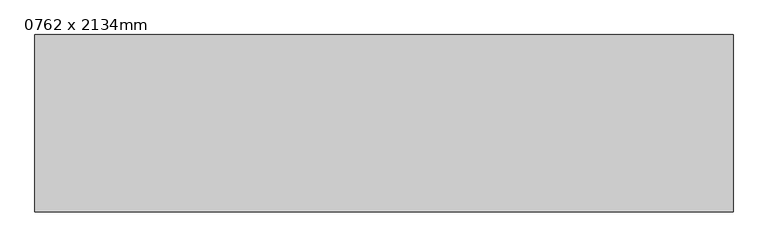
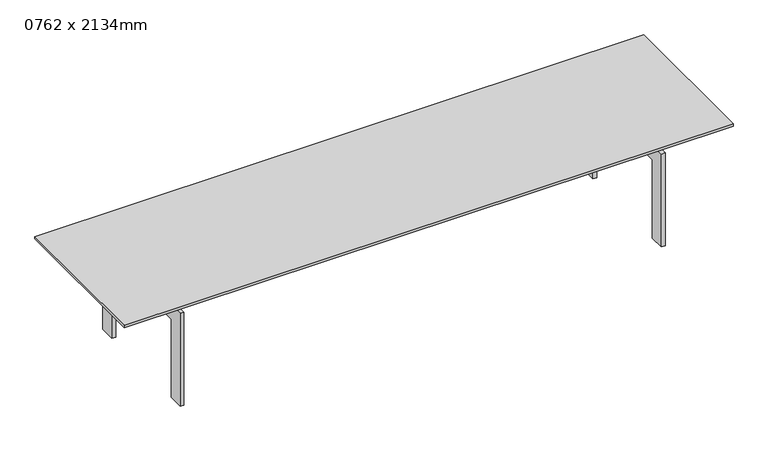
"""IFC4 building model written with IfcOpenShell, lengths in millimetres: furniture geometry, 0762 x 2134mm."""

from ifc_helpers import new_model, si_unit, frame, origin, place, context, project, spatial, polyline, outline, extrude, source, transform, mapped, element, save


def furniture_0762_x_2134mm_b47264a7(model_context):
    return source(origin(), model_context, "Body", "SweptSolid", [
        extrude(outline(polyline([(1416.6657667, 297.7823857), (1416.6657667, 272.3823857), (-1380.1342333, 272.3823857), (-1380.1342333, 297.7823857), (1416.6657667, 297.7823857)])), frame((0.0, 0.0, 483.8), z_axis=(0.0, 0.0, 1.0), x_axis=(1.0, 0.0, 0.0)), (0.0, 0.0, 1.0), 63.5),
        extrude(outline(polyline([(1416.6657667, -82.5889222), (1416.6657667, -107.9889222), (-1380.1342333, -107.9889222), (-1380.1342333, -82.5889222), (1416.6657667, -82.5889222)])), frame((0.0, 0.0, 483.8), z_axis=(0.0, 0.0, 1.0), x_axis=(1.0, 0.0, 0.0)), (0.0, 0.0, 1.0), 63.5),
        extrude(outline(polyline([(425.4110778, 0.0), (349.2110778, 0.0), (349.2110778, 407.6), (-158.7889222, 407.6), (-158.7889222, 0.0), (-234.9889222, 0.0), (-234.9889222, 483.8), (425.4110778, 483.8), (425.4110778, 0.0)])), frame((1194.4157667, 0.0, 0.0), z_axis=(1.0, 0.0, 0.0), x_axis=(0.0, 1.0, 0.0)), (0.0, 0.0, 1.0), 19.05),
        extrude(outline(polyline([(425.4110778, 483.8), (425.4110778, 0.0), (349.2110778, 0.0), (349.2110778, 407.6), (-158.7889222, 407.6), (-158.7889222, 0.0), (-234.9889222, 0.0), (-234.9889222, 483.8), (425.4110778, 483.8)])), frame((-1176.9342333, 0.0, 0.0), z_axis=(1.0, 0.0, 0.0), x_axis=(0.0, 1.0, 0.0)), (0.0, 0.0, 1.0), 19.05),
        extrude(outline(polyline([(1518.2657667, 476.2110778), (1518.2657667, -285.7889222), (-1481.7342333, -285.7889222), (-1481.7342333, 476.2110778), (1518.2657667, 476.2110778)])), frame((0.0, 0.0, 547.3), z_axis=(0.0, 0.0, 1.0), x_axis=(1.0, 0.0, 0.0)), (0.0, 0.0, 1.0), 12.7),
    ])


if __name__ == "__main__":
    model = new_model("IFC4")
    model_context = context("Model", 3, world=origin())
    ifc_project = project(units=[si_unit("LENGTHUNIT", "METRE", prefix="MILLI")], contexts=[model_context])
    site = spatial("IfcSite", under=ifc_project)
    building = spatial("IfcBuilding", under=site)
    placement = place(None, origin())
    furniture_0762_x_2134mm_shape = furniture_0762_x_2134mm_b47264a7(model_context)
    element("IfcFurniture", 1, ObjectType="0762 x 2134mm", at=placement, inside=building, context=model_context, shape_type="MappedRepresentation", body=[
        mapped(furniture_0762_x_2134mm_shape, transform((0.0, 0.0, 0.0), x_axis=(1.0, 0.0, 0.0), y_axis=(0.0, 1.0, 0.0), z_axis=(0.0, 0.0, 1.0))),
    ])
    save(model, "model.ifc")
